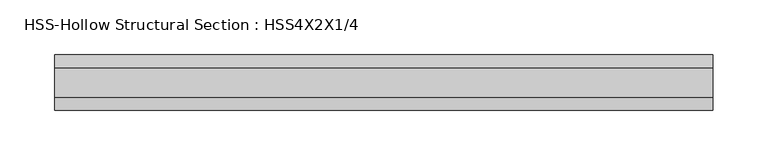
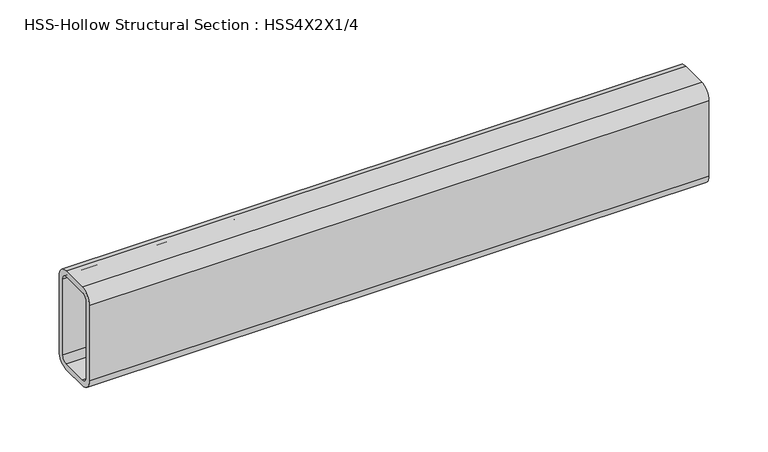
"""IFC4 building model written with IfcOpenShell, lengths in millimetres: beam geometry, HSS-Hollow Structural Section : HSS4X2X1/4."""

import ifcopenshell
import ifcopenshell.guid

model = None  # the IFC model being written
_history = None  # IfcOwnerHistory: only IFC2X3 demands one
_inside = {}  # id of a spatial element -> (the spatial element, [elements in it])
_under = {}  # id of a project, library or spatial element -> (it, [spatial elements below it])
_declared = {}  # id of a project -> (the project, [libraries it declares])
_typed = {}  # id of a type object -> (the type object, [elements of that type])
_made_of = {}  # id of a material, layer set ... -> (it, [elements and type objects made of it])


def new_model(schema):
    """Start an empty IFC model of exactly this schema.

    Asked for "IFC4X3", IfcOpenShell would pick the latest addendum, in which some entities
    have other attributes; the version numbers below select the first issue.
    IFC2X3 requires an IfcOwnerHistory on every rooted entity: one is made here for all.
    """
    global model, _history
    if schema == "IFC4X3":
        model = ifcopenshell.file(schema_version=(4, 3, 0, 0))
    else:
        model = ifcopenshell.file(schema=schema)
    _inside.clear()
    _under.clear()
    _declared.clear()
    _typed.clear()
    _made_of.clear()
    _history = None
    if model.schema == "IFC2X3":
        org = make("IfcOrganization", Name="unknown")
        user = make(
            "IfcPersonAndOrganization",
            ThePerson=make("IfcPerson", FamilyName="unknown"),
            TheOrganization=org,
        )
        app = make(
            "IfcApplication",
            ApplicationDeveloper=org,
            Version="unknown",
            ApplicationFullName="unknown",
            ApplicationIdentifier="unknown",
        )
        _history = make(
            "IfcOwnerHistory",
            OwningUser=user,
            OwningApplication=app,
            ChangeAction="ADDED",
            CreationDate=0,
        )
    return model


def make(cls, **values):
    """One entity of the class cls with the attributes given. An attribute that is None is left unset."""
    return model.create_entity(
        cls, **{name: value for name, value in values.items() if value is not None}
    )


def rooted(cls, **values):
    """An entity with a GlobalId (a new one), such as an element, a storey or a relation."""
    return make(cls, GlobalId=ifcopenshell.guid.new(), OwnerHistory=_history, **values)


def si_unit(unit_type, name, prefix=None):
    """IfcSIUnit, for example si_unit("LENGTHUNIT", "METRE", prefix="MILLI")."""
    return make("IfcSIUnit", UnitType=unit_type, Prefix=prefix, Name=name)


def assignment(units):
    """IfcUnitAssignment: the units of a project."""
    return None if units is None else make("IfcUnitAssignment", Units=units)


def point(xyz):
    """IfcCartesianPoint."""
    return None if xyz is None else make("IfcCartesianPoint", Coordinates=xyz)


def direction(xyz):
    """IfcDirection."""
    return None if xyz is None else make("IfcDirection", DirectionRatios=xyz)


def frame(location, z_axis=None, x_axis=None):
    """IfcAxis2Placement3D, a coordinate frame: its origin and axes. An axis left out is left unset."""
    return make(
        "IfcAxis2Placement3D",
        Location=point(location),
        Axis=direction(z_axis),
        RefDirection=direction(x_axis),
    )


def frame_2d(location, x_axis=None):
    """IfcAxis2Placement2D, a coordinate frame in the plane: its origin and x axis."""
    return make(
        "IfcAxis2Placement2D", Location=point(location), RefDirection=direction(x_axis)
    )


def origin():
    """The frame at (0, 0, 0) with its axes left unset."""
    return frame((0.0, 0.0, 0.0))


def place(relative_to, where):
    """IfcLocalPlacement: puts the frame where relative to a parent placement (None: the world)."""
    return make(
        "IfcLocalPlacement", PlacementRelTo=relative_to, RelativePlacement=where
    )


def context(
    kind, dimensions, precision=None, world=None, true_north=None, identifier=None
):
    """IfcGeometricRepresentationContext, for example the 3D "Model" context."""
    return make(
        "IfcGeometricRepresentationContext",
        ContextIdentifier=identifier,
        ContextType=kind,
        CoordinateSpaceDimension=dimensions,
        Precision=precision,
        WorldCoordinateSystem=world,
        TrueNorth=true_north,
    )


def project(units=None, contexts=None):
    """IfcProject with its units and contexts."""
    return rooted(
        "IfcProject",
        Name="project",
        RepresentationContexts=contexts,
        UnitsInContext=assignment(units),
    )


def spatial(cls, under=None, at=None, **own):
    """A site, building, storey or space (cls), placed at a placement, below another one or the project."""
    s = rooted(cls, ObjectPlacement=at, **own)
    if under is not None:
        _under.setdefault(under.id(), (under, []))[1].append(s)
    return s


def polyline(points):
    """IfcPolyline through the points."""
    return make("IfcPolyline", Points=[point(p) for p in points])


def circle_curve(where, radius):
    """IfcCircle in the frame where."""
    return make("IfcCircle", Position=where, Radius=radius)


def trimmed(basis, trim1, trim2, sense, master):
    """IfcTrimmedCurve: the piece of a basis curve between two trims."""
    return make(
        "IfcTrimmedCurve",
        BasisCurve=basis,
        Trim1=trim1,
        Trim2=trim2,
        SenseAgreement=sense,
        MasterRepresentation=master,
    )


def segment(curve, same_sense, transition):
    """IfcCompositeCurveSegment."""
    return make(
        "IfcCompositeCurveSegment",
        Transition=transition,
        SameSense=same_sense,
        ParentCurve=curve,
    )


def composite_curve(segments, self_intersect=None):
    """IfcCompositeCurve: segments joined end to end."""
    return make("IfcCompositeCurve", Segments=segments, SelfIntersect=self_intersect)


def outline(outer, holes=None, kind="AREA"):
    """IfcArbitraryClosedProfileDef: a profile drawn as a closed curve; with holes, ...WithVoids."""
    if holes is None:
        return make("IfcArbitraryClosedProfileDef", ProfileType=kind, OuterCurve=outer)
    return make(
        "IfcArbitraryProfileDefWithVoids",
        ProfileType=kind,
        OuterCurve=outer,
        InnerCurves=holes,
    )


def extrude(swept, where, along, depth):
    """IfcExtrudedAreaSolid: the profile swept, set in the frame where, extruded along a direction by depth."""
    return make(
        "IfcExtrudedAreaSolid",
        SweptArea=swept,
        Position=where,
        ExtrudedDirection=direction(along),
        Depth=depth,
    )


def shape(context_of_items, identifier, shape_type, items):
    """IfcShapeRepresentation: the items that make up one representation, for example the "Body"."""
    return make(
        "IfcShapeRepresentation",
        ContextOfItems=context_of_items,
        RepresentationIdentifier=identifier,
        RepresentationType=shape_type,
        Items=items,
    )


def source(mapping_origin, context_of_items, identifier, shape_type, items):
    """IfcRepresentationMap: a shape defined once, which mapped items show again and again."""
    return make(
        "IfcRepresentationMap",
        MappingOrigin=mapping_origin,
        MappedRepresentation=shape(context_of_items, identifier, shape_type, items),
    )


def transform(
    local_origin,
    x_axis=None,
    y_axis=None,
    z_axis=None,
    scale=None,
    scale2=None,
    scale3=None,
    uniform=True,
):
    """IfcCartesianTransformationOperator3D, or its non-uniform kind. x_axis, y_axis, z_axis: its Axis1, 2, 3."""
    if uniform:
        return make(
            "IfcCartesianTransformationOperator3D",
            Axis1=direction(x_axis),
            Axis2=direction(y_axis),
            LocalOrigin=point(local_origin),
            Scale=scale,
            Axis3=direction(z_axis),
        )
    return make(
        "IfcCartesianTransformationOperator3DnonUniform",
        Axis1=direction(x_axis),
        Axis2=direction(y_axis),
        LocalOrigin=point(local_origin),
        Scale=scale,
        Axis3=direction(z_axis),
        Scale2=scale2,
        Scale3=scale3,
    )


def mapped(mapping_source, mapping_target):
    """IfcMappedItem: shows the shape of a source again, moved by a transform."""
    return make(
        "IfcMappedItem", MappingSource=mapping_source, MappingTarget=mapping_target
    )


def made_of(thing, what):
    """Note that an element or type object is made of a material, layer set ...; save() writes the relation."""
    if what is not None:
        _made_of.setdefault(what.id(), (what, []))[1].append(thing)
    return thing


def element(
    cls,
    number,
    at=None,
    inside=None,
    cuts=None,
    type_object=None,
    material=None,
    context=None,
    identifier="Body",
    shape_type=None,
    held_by="IfcProductDefinitionShape",
    body=None,
    shapes=None,
    **own,
):
    """One element of the class cls, such as IfcWall. Its Tag is "e" and its number.

    at: its placement. inside: the storey or other place that contains it. cuts: it is an
    opening in that element (IfcRelVoidsElement). A single representation is given by context,
    identifier, shape_type and body (its items); several are given by shapes. held_by: the class
    of the entity that holds the representations. save() writes the other relations.
    """
    e = rooted(cls, Tag="e%d" % number, ObjectPlacement=at, **own)
    if body is not None:
        shapes = [shape(context, identifier, shape_type, body)]
    if shapes is not None:
        e.Representation = make(held_by, Representations=shapes)
    if inside is not None:
        _inside.setdefault(inside.id(), (inside, []))[1].append(e)
    if cuts is not None:
        rooted(
            "IfcRelVoidsElement", RelatingBuildingElement=cuts, RelatedOpeningElement=e
        )
    if type_object is not None:
        _typed.setdefault(type_object.id(), (type_object, []))[1].append(e)
    return made_of(e, material)


def aggregate(whole, parts):
    """IfcRelAggregates: a whole, such as a stair, and the parts it consists of."""
    return rooted("IfcRelAggregates", RelatingObject=whole, RelatedObjects=parts)


def save(model, path):
    """Write the relations noted so far, then the file.

    IfcRelAggregates (storeys below a building ...), IfcRelContainedInSpatialStructure (elements
    in a storey), IfcRelDefinesByType, IfcRelAssociatesMaterial and IfcRelDeclares: one each for
    every whole, place, type object, material and project.
    """
    for whole, parts in _under.values():
        aggregate(whole, parts)
    for where, things in _inside.values():
        rooted(
            "IfcRelContainedInSpatialStructure",
            RelatedElements=things,
            RelatingStructure=where,
        )
    for kind, things in _typed.values():
        rooted("IfcRelDefinesByType", RelatedObjects=things, RelatingType=kind)
    for what, things in _made_of.values():
        rooted("IfcRelAssociatesMaterial", RelatedObjects=things, RelatingMaterial=what)
    for by, libraries in _declared.values():
        rooted("IfcRelDeclares", RelatingContext=by, RelatedDefinitions=libraries)
    model.write(path)


def hss_hollow_structural_section_hss4x2x1_4_afe6b956(model_context):
    return source(origin(), model_context, "Body", "SweptSolid", [
        extrude(outline(composite_curve([segment(polyline([(25.4, 38.9636), (25.4, -38.9636)]), True, "CONTINUOUS"), segment(trimmed(circle_curve(frame_2d((13.5636, -38.9636)), 11.8364), [point((25.4, -38.9636))], [point((13.5636, -50.8))], False, "CARTESIAN"), True, "CONTINUOUS"), segment(polyline([(13.5636, -50.8), (-13.5636, -50.8)]), True, "CONTINUOUS"), segment(trimmed(circle_curve(frame_2d((-13.5636, -38.9636)), 11.8364), [point((-13.5636, -50.8))], [point((-25.4, -38.9636))], False, "CARTESIAN"), True, "CONTINUOUS"), segment(polyline([(-25.4, -38.9636), (-25.4, 38.9636)]), True, "CONTINUOUS"), segment(trimmed(circle_curve(frame_2d((-13.5636, 38.9636)), 11.8364), [point((-25.4, 38.9636))], [point((-13.5636, 50.8))], False, "CARTESIAN"), True, "CONTINUOUS"), segment(polyline([(-13.5636, 50.8), (13.5636, 50.8)]), True, "CONTINUOUS"), segment(trimmed(circle_curve(frame_2d((13.5636, 38.9636)), 11.8364), [point((13.5636, 50.8))], [point((25.4, 38.9636))], False, "CARTESIAN"), True, "CONTINUOUS")], self_intersect=False), holes=[composite_curve([segment(trimmed(circle_curve(frame_2d((-13.5636, 38.9636)), 5.9182), [point((-13.5636, 44.8818))], [point((-19.4818, 38.9636))], True, "CARTESIAN"), True, "CONTINUOUS"), segment(polyline([(-19.4818, 38.9636), (-19.4818, -38.9636)]), True, "CONTINUOUS"), segment(trimmed(circle_curve(frame_2d((-13.5636, -38.9636)), 5.9182), [point((-19.4818, -38.9636))], [point((-13.5636, -44.8818))], True, "CARTESIAN"), True, "CONTINUOUS"), segment(polyline([(-13.5636, -44.8818), (13.5636, -44.8818)]), True, "CONTINUOUS"), segment(trimmed(circle_curve(frame_2d((13.5636, -38.9636)), 5.9182), [point((13.5636, -44.8818))], [point((19.4818, -38.9636))], True, "CARTESIAN"), True, "CONTINUOUS"), segment(polyline([(19.4818, -38.9636), (19.4818, 38.9636)]), True, "CONTINUOUS"), segment(trimmed(circle_curve(frame_2d((13.5636, 38.9636)), 5.9182), [point((19.4818, 38.9636))], [point((13.5636, 44.8818))], True, "CARTESIAN"), True, "CONTINUOUS"), segment(polyline([(13.5636, 44.8818), (-13.5636, 44.8818)]), True, "CONTINUOUS")], self_intersect=False)]), frame((-301.6250006, 0.0, 0.0), z_axis=(1.0, 0.0, 0.0), x_axis=(0.0, 1.0, 0.0)), (0.0, 0.0, 1.0), 603.2500006),
    ])


if __name__ == "__main__":
    model = new_model("IFC4")
    model_context = context("Model", 3, world=origin())
    ifc_project = project(units=[si_unit("LENGTHUNIT", "METRE", prefix="MILLI")], contexts=[model_context])
    site = spatial("IfcSite", under=ifc_project)
    building = spatial("IfcBuilding", under=site)
    placement = place(None, origin())
    hss_hollow_structural_section_hss4x2x1_4_shape = hss_hollow_structural_section_hss4x2x1_4_afe6b956(model_context)
    element("IfcBeam", 1, ObjectType="HSS-Hollow Structural Section : HSS4X2X1/4", at=placement, inside=building, context=model_context, shape_type="MappedRepresentation", body=[
        mapped(hss_hollow_structural_section_hss4x2x1_4_shape, transform((0.0, 0.0, 0.0), x_axis=(1.0, 0.0, 0.0), y_axis=(0.0, 1.0, 0.0), z_axis=(0.0, 0.0, 1.0))),
    ])
    save(model, "model.ifc")
